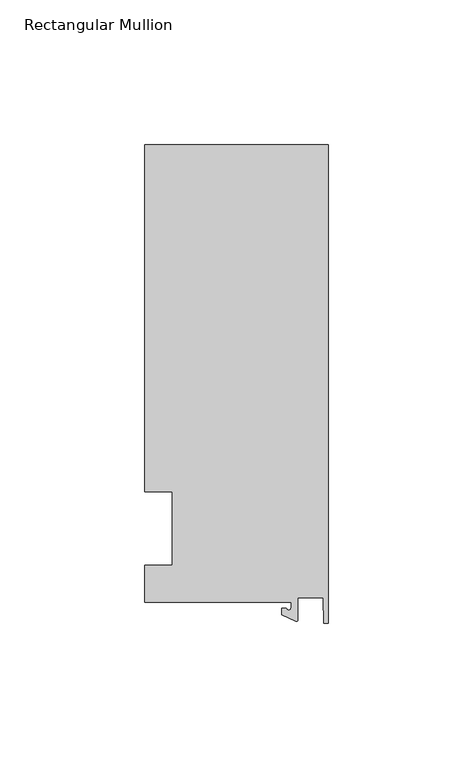
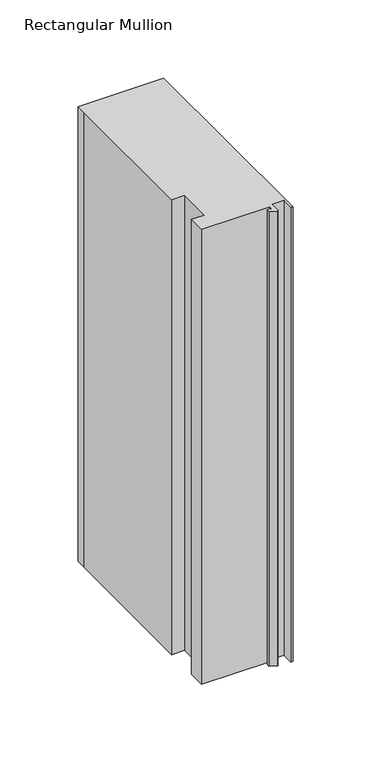
"""IFC4 building model written with IfcOpenShell, lengths in millimetres: member geometry, Rectangular Mullion."""

from ifc_helpers import new_model, si_unit, point, frame, frame_2d, origin, place, context, project, spatial, polyline, circle_curve, trimmed, segment, composite_curve, outline, extrude, source, transform, mapped, element, save


def rectangular_mullion_5ae9560c(model_context):
    return source(origin(), model_context, "Body", "SweptSolid", [
        extrude(outline(composite_curve([segment(polyline([(-12.8216721, -25.5984375), (-63.5, -25.5984375), (-63.5, -12.7), (-53.975, -12.7), (-53.975, 12.7), (-63.5, 12.7), (-63.5, 125.075512), (-63.5, 132.822512), (0.0, 132.822512), (0.0, -32.810012), (-1.5566453, -32.810012), (-1.7144124, -23.9227662), (-10.4340721, -23.9227662), (-10.4340721, -31.6795354)]), True, "CONTINUOUS"), segment(trimmed(circle_curve(frame_2d((-10.9420721, -31.6795354)), 0.508), [point((-10.4340721, -31.6795354))], [point((-11.1567622, -32.1399398))], False, "CARTESIAN"), True, "CONTINUOUS"), segment(polyline([(-11.1567622, -32.1399398), (-15.9966721, -29.8830527), (-15.9966721, -27.5208534), (-14.4091721, -27.5208534)]), True, "CONTINUOUS"), segment(trimmed(circle_curve(frame_2d((-13.6154221, -27.5208534)), 0.79375), [point((-14.4091721, -27.5208534))], [point((-12.8216721, -27.5208534))], True, "CARTESIAN"), True, "CONTINUOUS"), segment(polyline([(-12.8216721, -27.5208534), (-12.8216721, -25.5984375)]), True, "CONTINUOUS")], self_intersect=False)), frame((0.0, 0.0, -355.6), z_axis=(0.0, 0.0, 1.0), x_axis=(1.0, 0.0, 0.0)), (0.0, 0.0, 1.0), 355.6),
    ])


if __name__ == "__main__":
    model = new_model("IFC4")
    model_context = context("Model", 3, world=origin())
    ifc_project = project(units=[si_unit("LENGTHUNIT", "METRE", prefix="MILLI")], contexts=[model_context])
    site = spatial("IfcSite", under=ifc_project)
    building = spatial("IfcBuilding", under=site)
    placement = place(None, origin())
    rectangular_mullion_shape = rectangular_mullion_5ae9560c(model_context)
    element("IfcMember", 1, ObjectType="Rectangular Mullion", at=placement, inside=building, context=model_context, shape_type="MappedRepresentation", body=[
        mapped(rectangular_mullion_shape, transform((0.0, 0.0, 0.0), x_axis=(1.0, 0.0, 0.0), y_axis=(0.0, 1.0, 0.0), z_axis=(0.0, 0.0, 1.0))),
    ])
    save(model, "model.ifc")
